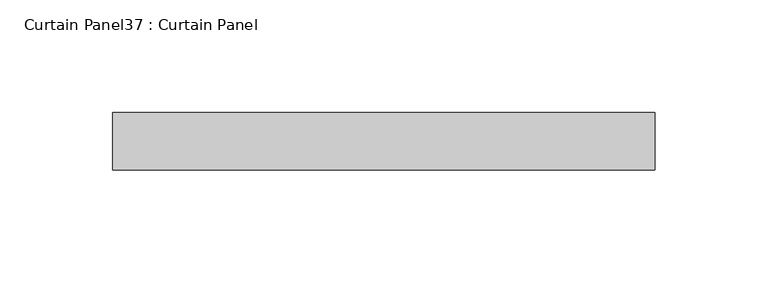
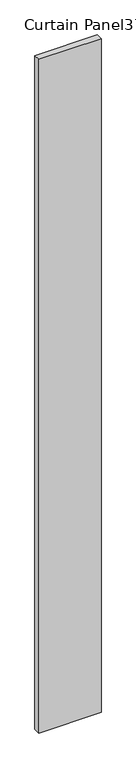
"""IFC4 building model written with IfcOpenShell, lengths in millimetres: plate geometry, Curtain Panel37 : Curtain Panel."""

from ifc_helpers import new_model, si_unit, frame, origin, place, context, project, spatial, polyline, outline, extrude, source, transform, mapped, element, save


def curtain_panel37_curtain_panel_f629a616(model_context):
    return source(origin(), model_context, "Body", "SweptSolid", [
        extrude(outline(polyline([(83364.6741454, 2565.0865142), (83124.5060509, 2565.0865142), (83124.5060509, 2590.4865142), (83364.6741454, 2590.4865142), (83364.6741454, 2565.0865142)])), frame((0.0, 0.0, -687.1377978), z_axis=(0.0, 0.0, 1.0), x_axis=(1.0, 0.0, 0.0)), (0.0, 0.0, 1.0), 2743.2),
    ])


if __name__ == "__main__":
    model = new_model("IFC4")
    model_context = context("Model", 3, world=origin())
    ifc_project = project(units=[si_unit("LENGTHUNIT", "METRE", prefix="MILLI")], contexts=[model_context])
    site = spatial("IfcSite", under=ifc_project)
    building = spatial("IfcBuilding", under=site)
    placement = place(None, origin())
    curtain_panel37_curtain_panel_shape = curtain_panel37_curtain_panel_f629a616(model_context)
    element("IfcPlate", 1, ObjectType="Curtain Panel37 : Curtain Panel", at=placement, inside=building, context=model_context, shape_type="MappedRepresentation", body=[
        mapped(curtain_panel37_curtain_panel_shape, transform((0.0, 0.0, 0.0), x_axis=(1.0, 0.0, 0.0), y_axis=(0.0, 1.0, 0.0), z_axis=(0.0, 0.0, 1.0))),
    ])
    save(model, "model.ifc")
